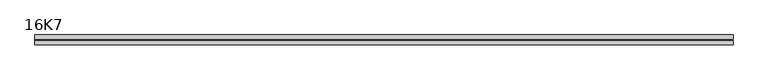
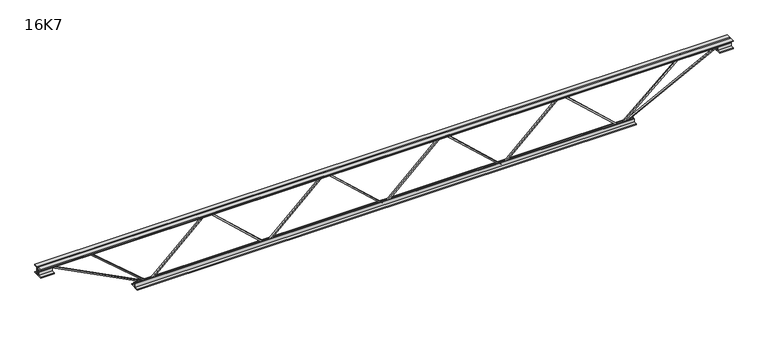
"""IFC4 building model written with IfcOpenShell, lengths in millimetres: beam geometry, 16K7."""

from ifc_helpers import new_model, si_unit, frame, origin, place, context, project, spatial, polyline, outline, extrude, source, transform, mapped, element, save


def beam_16k7_c566d7cb(model_context):
    return source(origin(), model_context, "Body", "SweptSolid", [
        extrude(outline(polyline([(-191.9, 0.0), (-201.4, 0.0), (-201.4, 5.0259458), (191.9, 433.0509458), (191.9, 435.6990542), (-201.4, 863.7240542), (-201.4, 868.75), (-191.9, 868.75), (-191.9, 867.4259458), (201.4, 439.4009458), (201.4, 429.3490542), (-191.9, 1.3240542), (-191.9, 0.0)])), frame((0.0, -4.75, 0.0), z_axis=(0.0, 1.0, 0.0), x_axis=(0.0, 0.0, 1.0)), (0.0, 0.0, 1.0), 9.5),
        extrude(outline(polyline([(-191.9, -868.75), (-201.4, -868.75), (-201.4, -863.7240542), (191.9, -435.6990542), (191.9, -433.0509458), (-201.4, -5.0259458), (-201.4, 0.0), (-191.9, 0.0), (-191.9, -1.3240542), (201.4, -429.3490542), (201.4, -439.4009458), (-191.9, -867.4259458), (-191.9, -868.75)])), frame((0.0, -4.75, 0.0), z_axis=(0.0, 1.0, 0.0), x_axis=(0.0, 0.0, 1.0)), (0.0, 0.0, 1.0), 9.5),
        extrude(outline(polyline([(-191.9, 868.75), (-201.4, 868.75), (-201.4, 873.7759458), (191.9, 1301.8009458), (191.9, 1304.4490542), (-201.4, 1732.4740542), (-201.4, 1737.5), (-191.9, 1737.5), (-191.9, 1736.1759458), (201.4, 1308.1509458), (201.4, 1298.0990542), (-191.9, 870.0740542), (-191.9, 868.75)])), frame((0.0, -4.75, 0.0), z_axis=(0.0, 1.0, 0.0), x_axis=(0.0, 0.0, 1.0)), (0.0, 0.0, 1.0), 9.5),
        extrude(outline(polyline([(-191.9, -1737.5), (-201.4, -1737.5), (-201.4, -1732.4740542), (191.9, -1304.4490542), (191.9, -1301.8009458), (-201.4, -873.7759458), (-201.4, -868.75), (-191.9, -868.75), (-191.9, -870.0740542), (201.4, -1298.0990542), (201.4, -1308.1509458), (-191.9, -1736.1759458), (-191.9, -1737.5)])), frame((0.0, -4.75, 0.0), z_axis=(0.0, 1.0, 0.0), x_axis=(0.0, 0.0, 1.0)), (0.0, 0.0, 1.0), 9.5),
        extrude(outline(polyline([(4.75, 203.0), (36.75, 203.0), (36.75, 196.5), (11.25, 196.5), (11.25, 171.0), (4.75, 171.0), (4.75, 203.0)])), frame((-2549.5, 0.0, 0.0), z_axis=(1.0, 0.0, 0.0), x_axis=(0.0, 1.0, 0.0)), (0.0, 0.0, 1.0), 5099.0),
        extrude(outline(polyline([(-4.75, 203.0), (-4.75, 171.0), (-11.25, 171.0), (-11.25, 196.5), (-36.75, 196.5), (-36.75, 203.0), (-4.75, 203.0)])), frame((-2549.5, 0.0, 0.0), z_axis=(1.0, 0.0, 0.0), x_axis=(0.0, 1.0, 0.0)), (0.0, 0.0, 1.0), 5099.0),
        extrude(outline(polyline([(-4.75, 139.5), (-36.75, 139.5), (-36.75, 146.0), (-11.25, 146.0), (-11.25, 171.0), (-4.75, 171.0), (-4.75, 139.5)])), frame((-2549.5, 0.0, 0.0), z_axis=(1.0, 0.0, 0.0), x_axis=(0.0, 1.0, 0.0)), (0.0, 0.0, 1.0), 100.0),
        extrude(outline(polyline([(36.75, 139.5), (4.75, 139.5), (4.75, 171.0), (11.25, 171.0), (11.25, 146.0), (36.75, 146.0), (36.75, 139.5)])), frame((-2549.5, 0.0, 0.0), z_axis=(1.0, 0.0, 0.0), x_axis=(0.0, 1.0, 0.0)), (0.0, 0.0, 1.0), 100.0),
        extrude(outline(polyline([(4.75, 139.5), (4.75, 171.0), (11.25, 171.0), (11.25, 146.0), (36.75, 146.0), (36.75, 139.5), (4.75, 139.5)])), frame((2449.5, 0.0, 0.0), z_axis=(1.0, 0.0, 0.0), x_axis=(0.0, 1.0, 0.0)), (0.0, 0.0, 1.0), 100.0),
        extrude(outline(polyline([(-4.75, 139.5), (-36.75, 139.5), (-36.75, 146.0), (-11.25, 146.0), (-11.25, 171.0), (-4.75, 171.0), (-4.75, 139.5)])), frame((2449.5, 0.0, 0.0), z_axis=(1.0, 0.0, 0.0), x_axis=(0.0, 1.0, 0.0)), (0.0, 0.0, 1.0), 100.0),
        extrude(outline(polyline([(4.75, -203.0), (4.75, -171.0), (11.25, -171.0), (11.25, -196.5), (36.75, -196.5), (36.75, -203.0), (4.75, -203.0)])), frame((-1837.5, 0.0, 0.0), z_axis=(1.0, 0.0, 0.0), x_axis=(0.0, 1.0, 0.0)), (0.0, 0.0, 1.0), 3675.0),
        extrude(outline(polyline([(-4.75, -203.0), (-36.75, -203.0), (-36.75, -196.5), (-11.25, -196.5), (-11.25, -171.0), (-4.75, -171.0), (-4.75, -203.0)])), frame((-1837.5, 0.0, 0.0), z_axis=(1.0, 0.0, 0.0), x_axis=(0.0, 1.0, 0.0)), (0.0, 0.0, 1.0), 3675.0),
        extrude(outline(polyline([(-200.8705467, -1739.6793315), (-192.4294533, -1735.3206685), (175.75, -2448.3460208), (175.75, -2549.5), (166.25, -2549.5), (166.25, -2450.6539792), (-200.8705467, -1739.6793315)])), frame((0.0, -4.75, 0.0), z_axis=(0.0, 1.0, 0.0), x_axis=(0.0, 0.0, 1.0)), (0.0, 0.0, 1.0), 9.5),
        extrude(outline(polyline([(188.7, -2191.8321429), (179.2, -2191.8321429), (179.2, -2180.8965228), (-200.2481702, -1740.6009146), (-193.0518298, -1734.3990854), (188.7, -2177.3677629), (188.7, -2191.8321429)])), frame((0.0, -4.75, 0.0), z_axis=(0.0, 1.0, 0.0), x_axis=(0.0, 0.0, 1.0)), (0.0, 0.0, 1.0), 9.5),
        extrude(outline(polyline([(0.0, -9.5), (0.0, 0.0), (801.3179909, 0.0), (801.3179909, -9.5), (0.0, -9.5)])), frame((2451.6793315, -4.75, 166.7794533), z_axis=(-0.45880662132449673, 0.0, 0.8885361468329805), x_axis=(-0.8885361468329805, 0.0, -0.45880662132449673)), (0.0, 0.0, 1.0), 9.5),
        extrude(outline(polyline([(0.0, -9.5), (0.0, 0.0), (596.8136064, 0.0), (596.8136064, -9.5), (0.0, -9.5)])), frame((2189.5195344, -4.75, 193.0773199), z_axis=(-0.658999720780176, 0.0, 0.7521431831849905), x_axis=(-0.7521431831849905, 0.0, -0.658999720780176)), (0.0, 0.0, 1.0), 9.5),
    ])


if __name__ == "__main__":
    model = new_model("IFC4")
    model_context = context("Model", 3, world=origin())
    ifc_project = project(units=[si_unit("LENGTHUNIT", "METRE", prefix="MILLI")], contexts=[model_context])
    site = spatial("IfcSite", under=ifc_project)
    building = spatial("IfcBuilding", under=site)
    placement = place(None, origin())
    beam_16k7_shape = beam_16k7_c566d7cb(model_context)
    element("IfcBeam", 1, ObjectType="16K7", at=placement, inside=building, context=model_context, shape_type="MappedRepresentation", body=[
        mapped(beam_16k7_shape, transform((0.0, 0.0, 0.0), x_axis=(1.0, 0.0, 0.0), y_axis=(0.0, 1.0, 0.0), z_axis=(0.0, 0.0, 1.0))),
    ])
    save(model, "model.ifc")
